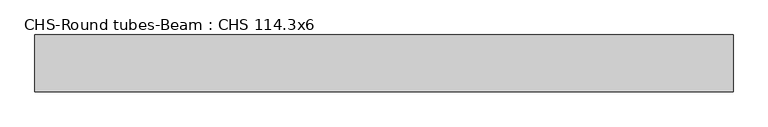
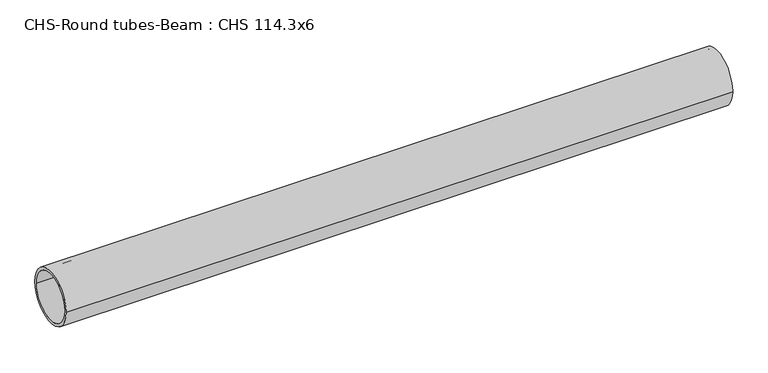
"""IFC4 building model written with IfcOpenShell, lengths in millimetres: beam geometry, CHS-Round tubes-Beam : CHS 114.3x6."""

from ifc_helpers import new_model, si_unit, point, frame, origin, origin_2d, place, context, project, spatial, circle_curve, trimmed, segment, composite_curve, outline, extrude, source, transform, mapped, element, save


def chs_round_tubes_beam_chs_114_3x6_e308b7c0(model_context):
    return source(origin(), model_context, "Body", "SweptSolid", [
        extrude(outline(composite_curve([segment(trimmed(circle_curve(origin_2d(), 57.15), [point((57.15, 0.0))], [point((-57.15, 0.0))], False, "CARTESIAN"), True, "CONTINUOUS"), segment(trimmed(circle_curve(origin_2d(), 57.15), [point((-57.15, 0.0))], [point((57.15, 0.0))], False, "CARTESIAN"), True, "CONTINUOUS")], self_intersect=False), holes=[composite_curve([segment(trimmed(circle_curve(origin_2d(), 51.15), [point((51.15, 0.0))], [point((-51.15, 0.0))], True, "CARTESIAN"), True, "CONTINUOUS"), segment(trimmed(circle_curve(origin_2d(), 51.15), [point((-51.15, 0.0))], [point((51.15, 0.0))], True, "CARTESIAN"), True, "CONTINUOUS")], self_intersect=False)]), frame((-702.4623147, 0.0, 0.0), z_axis=(1.0, 0.0, 0.0), x_axis=(0.0, 1.0, 0.0)), (0.0, 0.0, 1.0), 1407.3366653),
    ])


if __name__ == "__main__":
    model = new_model("IFC4")
    model_context = context("Model", 3, world=origin())
    ifc_project = project(units=[si_unit("LENGTHUNIT", "METRE", prefix="MILLI")], contexts=[model_context])
    site = spatial("IfcSite", under=ifc_project)
    building = spatial("IfcBuilding", under=site)
    placement = place(None, origin())
    chs_round_tubes_beam_chs_114_3x6_shape = chs_round_tubes_beam_chs_114_3x6_e308b7c0(model_context)
    element("IfcBeam", 1, ObjectType="CHS-Round tubes-Beam : CHS 114.3x6", at=placement, inside=building, context=model_context, shape_type="MappedRepresentation", body=[
        mapped(chs_round_tubes_beam_chs_114_3x6_shape, transform((0.0, 0.0, 0.0), x_axis=(1.0, 0.0, 0.0), y_axis=(0.0, 1.0, 0.0), z_axis=(0.0, 0.0, 1.0))),
    ])
    save(model, "model.ifc")
